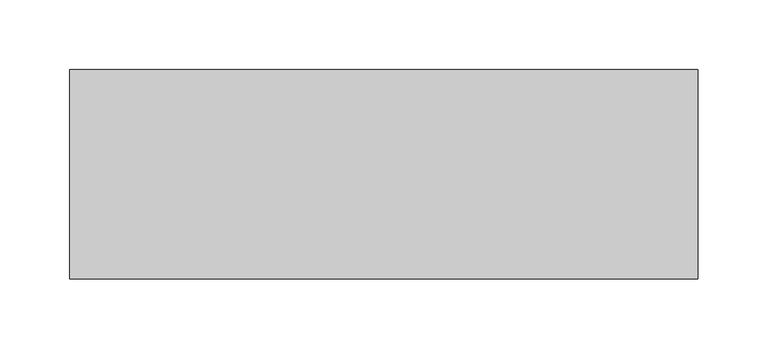
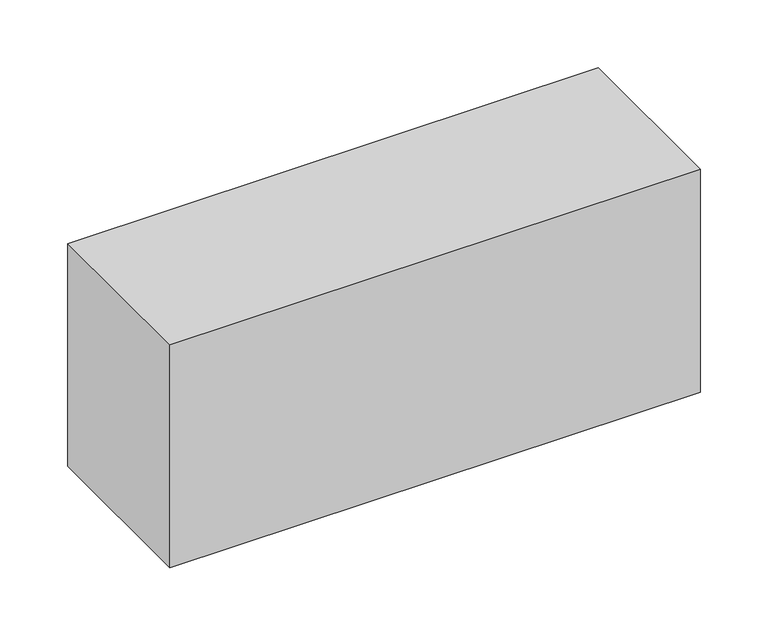
"""IFC4 building model written with IfcOpenShell, lengths in millimetres: proxy geometry."""

from ifc_helpers import new_model, si_unit, frame, origin, place, context, project, spatial, polyline, outline, extrude, source, transform, mapped, element, save


def generic_models_1a447324(model_context):
    return source(origin(), model_context, "Body", "SweptSolid", [
        extrude(outline(polyline([(225.0, 75.0), (225.0, -75.0), (-225.0, -75.0), (-225.0, 75.0), (225.0, 75.0)])), frame((0.0, 0.0, -200.0), z_axis=(0.0, 0.0, 1.0), x_axis=(1.0, 0.0, 0.0)), (0.0, 0.0, 1.0), 200.0),
    ])


if __name__ == "__main__":
    model = new_model("IFC4")
    model_context = context("Model", 3, world=origin())
    ifc_project = project(units=[si_unit("LENGTHUNIT", "METRE", prefix="MILLI")], contexts=[model_context])
    site = spatial("IfcSite", under=ifc_project)
    building = spatial("IfcBuilding", under=site)
    placement = place(None, origin())
    generic_models_shape = generic_models_1a447324(model_context)
    element("IfcBuildingElementProxy", 1, Name="Generic Models", at=placement, inside=building, context=model_context, shape_type="MappedRepresentation", body=[
        mapped(generic_models_shape, transform((0.0, 0.0, 0.0), x_axis=(1.0, 0.0, 0.0), y_axis=(0.0, 1.0, 0.0), z_axis=(0.0, 0.0, 1.0))),
    ])
    save(model, "model.ifc")
